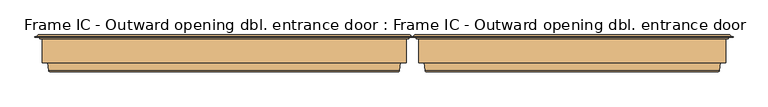
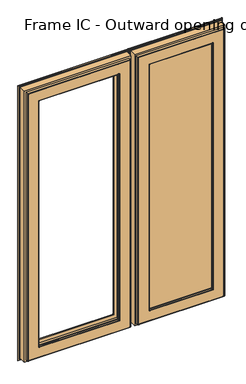
"""IFC4 building model written with IfcOpenShell, lengths in millimetres: door geometry, Frame IC - Outward opening dbl. entrance door : Frame IC - Outward opening dbl. entrance door."""

from ifc_helpers import new_model, si_unit, frame, origin, place, context, project, spatial, polyline, ellipse_curve, outline, extrude, source, transform, mapped, element, save
from ifc_brep_helpers import plane_surface, cylinder_surface, revolved_surface, advanced_brep


def frame_ic_outward_opening_dbl_entrance_door_frame_ic_outward_56521af2(model_context):
    return source(origin(), model_context, "Body", "SolidModel", [
        advanced_brep(
        [(3.6650635, 192.25, 135.6650635), (464.3349365, 192.25, 135.6650635), (468.6650635, 192.25, 131.3349365), (-0.6650635, 192.25, 131.3349365), (-84.5, 188.6168436, 2052.5), (-84.5, 188.6168436, 47.5), (-84.5, 185.5999985, 47.5), (-84.5, 185.5999985, 2052.5), (-86.4927627, 193.0, 2054.4927627), (-86.4927627, 193.0, 45.5072373), (-89.0144747, 190.478288, 42.9855253), (-89.0144747, 190.478288, 2057.0144747), (12.1750766, 191.5847434, 1955.8249234), (12.1750766, 191.5847434, 144.1750766), (10.2624671, 193.0, 142.2624671), (10.2624671, 193.0, 1957.7375329), (15.0073403, 182.3208261, 1952.9926597), (15.0073403, 182.3208261, 147.0073403), (15.0073403, 181.0, 1952.9926597), (15.0073403, 181.0, 147.0073403), (-3.3670018, 133.0, 1971.3670018), (-3.3670018, 133.0, 128.6329982), (-9.2606608, 181.0, 122.7393392), (-9.2606608, 181.0, 1977.2606608), (15.0, 130.0, 1953.0), (15.0, 130.0, 147.0), (15.0, 133.0, 147.0), (15.0, 133.0, 1953.0), (14.9781475, 128.7920883, 1953.0218525), (14.9781475, 128.7920883, 146.9781475), (13.9999999, 130.0, 145.9999999), (13.9999999, 130.0, 1954.0000001), (13.1893091, 120.376265, 1954.8106909), (13.1893091, 120.376265, 145.1893091), (10.2548663, 118.0, 1957.7451337), (10.2548663, 118.0, 142.2548663), (-65.5618051, 119.7562613, 2033.5618051), (-65.5618051, 119.7562613, 66.4381949), (-63.5767128, 118.0, 68.4232872), (-63.5767128, 118.0, 2031.5767128), (-67.5562854, 136.0, 2035.5562854), (-67.5562854, 136.0, 64.4437146), (-79.0, 185.5999985, 2047.0), (-79.0, 185.5999985, 53.0), (-79.0, 136.0, 53.0), (-79.0, 136.0, 2047.0), (552.5, 188.6168436, 47.5), (552.5, 185.5999985, 47.5), (554.4927627, 193.0, 45.5072373), (557.0144747, 190.478288, 42.9855253), (455.8249234, 191.5847434, 144.1750766), (457.7375329, 193.0, 142.2624671), (452.9926597, 182.3208261, 147.0073403), (452.9926597, 181.0, 147.0073403), (471.3670018, 133.0, 128.6329982), (477.2606608, 181.0, 122.7393392), (453.0, 130.0, 147.0), (453.0, 133.0, 147.0), (453.0218525, 128.7920883, 146.9781475), (454.0000001, 130.0, 145.9999999), (454.8106909, 120.376265, 145.1893091), (457.7451337, 118.0, 142.2548663), (533.5618051, 119.7562613, 66.4381949), (531.5767128, 118.0, 68.4232872), (535.5562854, 136.0, 64.4437146), (547.0, 185.5999985, 53.0), (547.0, 136.0, 53.0), (552.5, 188.6168436, 2052.5), (552.5, 185.5999985, 2052.5), (554.4927627, 193.0, 2054.4927627), (557.0144747, 190.478288, 2057.0144747), (455.8249234, 191.5847434, 1955.8249234), (457.7375329, 193.0, 1957.7375329), (452.9926597, 182.3208261, 1952.9926597), (452.9926597, 181.0, 1952.9926597), (471.3670018, 133.0, 1971.3670018), (477.2606608, 181.0, 1977.2606608), (453.0, 130.0, 1953.0), (453.0, 133.0, 1953.0), (453.0218525, 128.7920883, 1953.0218525), (454.0000001, 130.0, 1954.0000001), (454.8106909, 120.376265, 1954.8106909), (457.7451337, 118.0, 1957.7451337), (533.5618051, 119.7562613, 2033.5618051), (531.5767128, 118.0, 2031.5767128), (535.5562854, 136.0, 2035.5562854), (547.0, 185.5999985, 2047.0), (547.0, 136.0, 2047.0), (-94.1997151, 189.6865589, 37.8002849), (-94.1997151, 189.6865589, 2062.1997151), (562.1997151, 189.6865589, 2062.1997151), (562.1997151, 189.6865589, 37.8002849), (-89.0144747, 189.6865589, 2057.0144747), (-89.0144747, 189.6865589, 42.9855253), (557.0144747, 189.6865589, 42.9855253), (557.0144747, 189.6865589, 2057.0144747), (4.9641016, 193.0, 136.9641016), (4.9641016, 193.0, 1963.0358984), (463.0358984, 193.0, 1963.0358984), (463.0358984, 193.0, 136.9641016), (-94.1997151, 188.6168436, 37.8002849), (-94.1997151, 188.6168436, 2062.1997151), (562.1997151, 188.6168436, 37.8002849), (562.1997151, 188.6168436, 2062.1997151), (-0.6650635, 192.25, 1968.6650635), (-1.9641016, 193.0, 130.0358984), (-1.9641016, 193.0, 1969.9641016), (3.6650635, 192.25, 1964.3349365), (469.9641016, 193.0, 130.0358984), (468.6650635, 192.25, 1968.6650635), (469.9641016, 193.0, 1969.9641016), (464.3349365, 192.25, 1964.3349365)],
        [
            (0, 1),
            (1, 2, ellipse_curve(frame((466.5, 193.5, 133.5), z_axis=(0.7071067811865475, 0.0, 0.7071067811865475), x_axis=(0.7071067811865476, 0.0, -0.7071067811865474)), 3.5355339, 2.5)),
            (2, 3),
            (3, 0, ellipse_curve(frame((1.5, 193.5, 133.5), z_axis=(-0.7071067811865475, 0.0, 0.7071067811865475), x_axis=(0.7071067811865476, 0.0, 0.7071067811865474)), 3.5355339, 2.5)),
            (4, 5),
            (5, 6),
            (6, 7),
            (7, 4),
            (8, 9),
            (9, 10, ellipse_curve(frame((-86.4927627, 190.478288, 45.5072373), z_axis=(-0.7071067811865475, 0.0, 0.7071067811865475), x_axis=(0.7071067811865474, 0.0, 0.7071067811865476)), 3.5662393, 2.521712)),
            (10, 11),
            (11, 8, ellipse_curve(frame((-86.4927627, 190.478288, 2054.4927627), z_axis=(-0.7071067811865475, 0.0, -0.7071067811865475), x_axis=(-0.7071067811865474, 0.0, 0.7071067811865476)), 3.5662393, 2.521712)),
            (12, 13),
            (13, 14, ellipse_curve(frame((10.2624671, 191.0, 142.2624671), z_axis=(-0.7071067811865475, 0.0, 0.7071067811865475), x_axis=(0.7071067811865474, 0.0, 0.7071067811865476)), 2.8284271, 2.0)),
            (14, 15),
            (15, 12, ellipse_curve(frame((10.2624671, 191.0, 1957.7375329), z_axis=(-0.7071067811865475, 0.0, -0.7071067811865475), x_axis=(-0.7071067811865474, 0.0, 0.7071067811865476)), 2.8284271, 2.0)),
            (16, 17),
            (17, 13),
            (12, 16),
            (18, 19),
            (19, 17),
            (16, 18),
            (20, 21),
            (21, 22),
            (22, 23),
            (23, 20),
            (24, 25),
            (25, 26),
            (26, 27),
            (27, 24),
            (28, 29),
            (29, 30, ellipse_curve(frame((13.9999999, 129.0, 145.9999999), z_axis=(-0.7071067811865475, 0.0, 0.7071067811865475), x_axis=(0.7071067811865474, 0.0, 0.7071067811865476)), 1.4142136, 1.0)),
            (30, 31),
            (31, 28, ellipse_curve(frame((13.9999999, 129.0, 1954.0000001), z_axis=(-0.7071067811865475, 0.0, -0.7071067811865475), x_axis=(-0.7071067811865474, 0.0, 0.7071067811865476)), 1.4142136, 1.0)),
            (32, 33),
            (33, 29),
            (28, 32),
            (34, 35),
            (35, 33, ellipse_curve(frame((10.2548663, 121.0, 142.2548663), z_axis=(-0.7071067811865475, 0.0, 0.7071067811865475), x_axis=(0.7071067811865474, 0.0, 0.7071067811865476)), 4.2426407, 3.0)),
            (32, 34, ellipse_curve(frame((10.2548663, 121.0, 1957.7451337), z_axis=(-0.7071067811865475, 0.0, -0.7071067811865475), x_axis=(-0.7071067811865474, 0.0, 0.7071067811865476)), 4.2426407, 3.0)),
            (36, 37),
            (37, 38, ellipse_curve(frame((-63.5767128, 120.0, 68.4232872), z_axis=(-0.7071067811865475, 0.0, 0.7071067811865475), x_axis=(0.7071067811865474, 0.0, 0.7071067811865476)), 2.8284271, 2.0)),
            (38, 39),
            (39, 36, ellipse_curve(frame((-63.5767128, 120.0, 2031.5767128), z_axis=(-0.7071067811865475, 0.0, -0.7071067811865475), x_axis=(-0.7071067811865474, 0.0, 0.7071067811865476)), 2.8284271, 2.0)),
            (40, 41),
            (41, 37),
            (36, 40),
            (42, 43),
            (43, 44),
            (44, 45),
            (45, 42),
            (5, 46),
            (46, 47),
            (47, 6),
            (9, 48),
            (48, 49, ellipse_curve(frame((554.4927627, 190.478288, 45.5072373), z_axis=(-0.7071067811865475, 0.0, -0.7071067811865475), x_axis=(-0.7071067811865476, 0.0, 0.7071067811865474)), 3.5662393, 2.521712)),
            (49, 10),
            (13, 50),
            (50, 51, ellipse_curve(frame((457.7375329, 191.0, 142.2624671), z_axis=(-0.7071067811865475, 0.0, -0.7071067811865475), x_axis=(-0.7071067811865476, 0.0, 0.7071067811865474)), 2.8284271, 2.0)),
            (51, 14),
            (17, 52),
            (52, 50),
            (19, 53),
            (53, 52),
            (21, 54),
            (54, 55),
            (55, 22),
            (25, 56),
            (56, 57),
            (57, 26),
            (29, 58),
            (58, 59, ellipse_curve(frame((454.0000001, 129.0, 145.9999999), z_axis=(-0.7071067811865475, 0.0, -0.7071067811865475), x_axis=(-0.7071067811865476, 0.0, 0.7071067811865474)), 1.4142136, 1.0)),
            (59, 30),
            (33, 60),
            (60, 58),
            (35, 61),
            (61, 60, ellipse_curve(frame((457.7451337, 121.0, 142.2548663), z_axis=(-0.7071067811865475, 0.0, -0.7071067811865475), x_axis=(-0.7071067811865476, 0.0, 0.7071067811865474)), 4.2426407, 3.0)),
            (37, 62),
            (62, 63, ellipse_curve(frame((531.5767128, 120.0, 68.4232872), z_axis=(-0.7071067811865475, 0.0, -0.7071067811865475), x_axis=(-0.7071067811865476, 0.0, 0.7071067811865474)), 2.8284271, 2.0)),
            (63, 38),
            (41, 64),
            (64, 62),
            (43, 65),
            (65, 66),
            (66, 44),
            (46, 67),
            (67, 68),
            (68, 47),
            (48, 69),
            (69, 70, ellipse_curve(frame((554.4927627, 190.478288, 2054.4927627), z_axis=(0.7071067811865475, 0.0, -0.7071067811865475), x_axis=(-0.7071067811865474, 0.0, -0.7071067811865476)), 3.5662393, 2.521712)),
            (70, 49),
            (50, 71),
            (71, 72, ellipse_curve(frame((457.7375329, 191.0, 1957.7375329), z_axis=(0.7071067811865475, 0.0, -0.7071067811865475), x_axis=(-0.7071067811865474, 0.0, -0.7071067811865476)), 2.8284271, 2.0)),
            (72, 51),
            (52, 73),
            (73, 71),
            (53, 74),
            (74, 73),
            (54, 75),
            (75, 76),
            (76, 55),
            (56, 77),
            (77, 78),
            (78, 57),
            (58, 79),
            (79, 80, ellipse_curve(frame((454.0000001, 129.0, 1954.0000001), z_axis=(0.7071067811865475, 0.0, -0.7071067811865475), x_axis=(-0.7071067811865474, 0.0, -0.7071067811865476)), 1.4142136, 1.0)),
            (80, 59),
            (60, 81),
            (81, 79),
            (61, 82),
            (82, 81, ellipse_curve(frame((457.7451337, 121.0, 1957.7451337), z_axis=(0.7071067811865475, 0.0, -0.7071067811865475), x_axis=(-0.7071067811865474, 0.0, -0.7071067811865476)), 4.2426407, 3.0)),
            (62, 83),
            (83, 84, ellipse_curve(frame((531.5767128, 120.0, 2031.5767128), z_axis=(0.7071067811865475, 0.0, -0.7071067811865475), x_axis=(-0.7071067811865474, 0.0, -0.7071067811865476)), 2.8284271, 2.0)),
            (84, 63),
            (64, 85),
            (85, 83),
            (65, 86),
            (86, 87),
            (87, 66),
            (68, 7),
            (42, 86),
            (67, 4),
            (88, 89),
            (89, 90),
            (90, 91),
            (91, 88),
            (92, 93),
            (93, 94),
            (94, 95),
            (95, 92),
            (69, 8),
            (11, 70),
            (96, 97),
            (97, 98),
            (98, 99),
            (99, 96),
            (72, 15),
            (71, 12),
            (73, 16),
            (74, 18),
            (76, 23),
            (75, 20),
            (78, 27),
            (77, 24),
            (80, 31),
            (79, 28),
            (81, 32),
            (82, 34),
            (84, 39),
            (83, 36),
            (85, 40),
            (87, 45),
            (88, 100),
            (100, 101),
            (101, 89),
            (10, 93),
            (92, 11),
            (91, 102),
            (102, 100),
            (49, 94),
            (90, 103),
            (103, 102),
            (70, 95),
            (103, 101),
            (104, 3),
            (3, 105, ellipse_curve(frame((-1.9641016, 191.5, 130.0358984), z_axis=(-0.7071067811865475, 0.0, 0.7071067811865475), x_axis=(0.7071067811865474, 0.0, 0.7071067811865476)), 2.1213203, 1.5)),
            (105, 106),
            (106, 104, ellipse_curve(frame((-1.9641016, 191.5, 1969.9641016), z_axis=(-0.7071067811865475, 0.0, -0.7071067811865475), x_axis=(-0.7071067811865474, 0.0, 0.7071067811865476)), 2.1213203, 1.5)),
            (107, 0),
            (104, 107, ellipse_curve(frame((1.5, 193.5, 1966.5), z_axis=(0.7071067811865475, 0.0, 0.7071067811865475), x_axis=(0.7071067811865474, 0.0, -0.7071067811865476)), 3.5355339, 2.5)),
            (96, 0, ellipse_curve(frame((4.9641016, 191.5, 136.9641016), z_axis=(-0.7071067811865475, 0.0, 0.7071067811865475), x_axis=(0.7071067811865474, 0.0, 0.7071067811865476)), 2.1213203, 1.5)),
            (107, 97, ellipse_curve(frame((4.9641016, 191.5, 1963.0358984), z_axis=(-0.7071067811865475, 0.0, -0.7071067811865475), x_axis=(-0.7071067811865474, 0.0, 0.7071067811865476)), 2.1213203, 1.5)),
            (2, 108, ellipse_curve(frame((469.9641016, 191.5, 130.0358984), z_axis=(-0.7071067811865475, 0.0, -0.7071067811865475), x_axis=(-0.7071067811865476, 0.0, 0.7071067811865474)), 2.1213203, 1.5)),
            (108, 105),
            (99, 1, ellipse_curve(frame((463.0358984, 191.5, 136.9641016), z_axis=(-0.7071067811865475, 0.0, -0.7071067811865475), x_axis=(-0.7071067811865476, 0.0, 0.7071067811865474)), 2.1213203, 1.5)),
            (2, 109),
            (109, 110, ellipse_curve(frame((469.9641016, 191.5, 1969.9641016), z_axis=(0.7071067811865475, 0.0, -0.7071067811865475), x_axis=(-0.7071067811865474, 0.0, -0.7071067811865476)), 2.1213203, 1.5)),
            (110, 108),
            (1, 111),
            (111, 109, ellipse_curve(frame((466.5, 193.5, 1966.5), z_axis=(-0.7071067811865475, 0.0, 0.7071067811865475), x_axis=(0.7071067811865474, 0.0, 0.7071067811865476)), 3.5355339, 2.5)),
            (98, 111, ellipse_curve(frame((463.0358984, 191.5, 1963.0358984), z_axis=(0.7071067811865475, 0.0, -0.7071067811865475), x_axis=(-0.7071067811865474, 0.0, -0.7071067811865476)), 2.1213203, 1.5)),
            (110, 106),
            (109, 104),
            (111, 107),
        ],
        [
            revolved_surface(polyline([(468.99999999580496, 191.0, 133.5), (-0.9999999958049273, 191.0, 133.5)]), (-79.0, 193.5, 133.5), (1.0, 0.0, 0.0)),
            plane_surface(frame((-84.5, 185.5999985, 2052.5), z_axis=(-1.0, 0.0, 0.0), x_axis=(0.0, 0.0, -1.0))),
            cylinder_surface(frame((-86.4927627, 190.478288, 2047.0), z_axis=(0.0, 0.0, 1.0), x_axis=(0.0, -1.0, 0.0)), 2.521712),
            cylinder_surface(frame((10.2624671, 191.0, 2047.0), z_axis=(0.0, 0.0, 1.0), x_axis=(0.0, -1.0, 0.0)), 2.0),
            plane_surface(frame((12.1750766, 191.5847434, 1955.8249234), z_axis=(0.9563047559629807, 0.2923717047229163, 0.0), x_axis=(0.0, 0.0, -1.0))),
            plane_surface(frame((15.0073403, 182.3208261, 1952.9926597), z_axis=(1.0, 0.0, 0.0), x_axis=(0.0, 0.0, -1.0))),
            plane_surface(frame((-9.2606608, 181.0, 1977.2606608), z_axis=(0.9925461516413233, 0.12186934340513725, 0.0), x_axis=(0.0, 0.0, -1.0))),
            plane_surface(frame((15.0, 133.0, 1953.0), z_axis=(1.0, 0.0, 0.0), x_axis=(0.0, 0.0, -1.0))),
            cylinder_surface(frame((13.9999999, 129.0, 2047.0), z_axis=(0.0, 0.0, 1.0), x_axis=(0.0, -1.0, 0.0)), 1.0),
            plane_surface(frame((14.9781475, 128.7920883, 1953.0218525), z_axis=(0.9781476042228723, -0.20791167440299077, 0.0), x_axis=(0.0, 0.0, -1.0))),
            cylinder_surface(frame((10.2548663, 121.0, 2047.0), z_axis=(0.0, 0.0, 1.0), x_axis=(0.0, -1.0, 0.0)), 3.0),
            cylinder_surface(frame((-63.5767128, 120.0, 2047.0), z_axis=(0.0, 0.0, 1.0), x_axis=(0.0, -1.0, 0.0)), 2.0),
            plane_surface(frame((-65.5618051, 119.7562613, 2033.5618051), z_axis=(-0.9925461516416141, -0.12186934340276924, 0.0), x_axis=(0.0, 0.0, -1.0))),
            plane_surface(frame((-79.0, 136.0, 2047.0), z_axis=(-1.0, 0.0, 0.0), x_axis=(0.0, 0.0, -1.0))),
            plane_surface(frame((-84.5, 185.5999985, 47.5), z_axis=(0.0, 0.0, -1.0), x_axis=(1.0, 0.0, 0.0))),
            cylinder_surface(frame((-79.0, 190.478288, 45.5072373), z_axis=(-1.0, 0.0, 0.0), x_axis=(0.0, -1.0, 0.0)), 2.521712),
            cylinder_surface(frame((-79.0, 191.0, 142.2624671), z_axis=(-1.0, 0.0, 0.0), x_axis=(0.0, -1.0, 0.0)), 2.0),
            plane_surface(frame((12.1750766, 191.5847434, 144.1750766), z_axis=(0.0, 0.2923717047229163, 0.9563047559629807), x_axis=(1.0, 0.0, 0.0))),
            plane_surface(frame((15.0073403, 182.3208261, 147.0073403), z_axis=(0.0, 0.0, 1.0), x_axis=(1.0, 0.0, 0.0))),
            plane_surface(frame((-9.2606608, 181.0, 122.7393392), z_axis=(0.0, 0.12186934340513725, 0.9925461516413233), x_axis=(1.0, 0.0, 0.0))),
            plane_surface(frame((15.0, 133.0, 147.0), z_axis=(0.0, 0.0, 1.0), x_axis=(1.0, 0.0, 0.0))),
            cylinder_surface(frame((-79.0, 129.0, 145.9999999), z_axis=(-1.0, 0.0, 0.0), x_axis=(0.0, -1.0, 0.0)), 1.0),
            plane_surface(frame((14.9781475, 128.7920883, 146.9781475), z_axis=(0.0, -0.20791167440299077, 0.9781476042228723), x_axis=(1.0, 0.0, 0.0))),
            cylinder_surface(frame((-79.0, 121.0, 142.2548663), z_axis=(-1.0, 0.0, 0.0), x_axis=(0.0, -1.0, 0.0)), 3.0),
            cylinder_surface(frame((-79.0, 120.0, 68.4232872), z_axis=(-1.0, 0.0, 0.0), x_axis=(0.0, -1.0, 0.0)), 2.0),
            plane_surface(frame((-65.5618051, 119.7562613, 66.4381949), z_axis=(0.0, -0.12186934340276924, -0.9925461516416141), x_axis=(1.0, 0.0, 0.0))),
            plane_surface(frame((-79.0, 136.0, 53.0), z_axis=(0.0, 0.0, -1.0), x_axis=(1.0, 0.0, 0.0))),
            plane_surface(frame((552.5, 185.5999985, 47.5), z_axis=(1.0, 0.0, 0.0), x_axis=(0.0, 0.0, 1.0))),
            cylinder_surface(frame((554.4927627, 190.478288, 53.0), z_axis=(0.0, 0.0, -1.0), x_axis=(0.0, -1.0, 0.0)), 2.521712),
            cylinder_surface(frame((457.7375329, 191.0, 53.0), z_axis=(0.0, 0.0, -1.0), x_axis=(0.0, -1.0, 0.0)), 2.0),
            plane_surface(frame((455.8249234, 191.5847434, 144.1750766), z_axis=(-0.9563047559629807, 0.2923717047229163, 0.0), x_axis=(0.0, 0.0, 1.0))),
            plane_surface(frame((452.9926597, 182.3208261, 147.0073403), z_axis=(-1.0, 0.0, 0.0), x_axis=(0.0, 0.0, 1.0))),
            plane_surface(frame((477.2606608, 181.0, 122.7393392), z_axis=(-0.9925461516413233, 0.12186934340513725, 0.0), x_axis=(0.0, 0.0, 1.0))),
            plane_surface(frame((453.0, 133.0, 147.0), z_axis=(-1.0, 0.0, 0.0), x_axis=(0.0, 0.0, 1.0))),
            cylinder_surface(frame((454.0000001, 129.0, 53.0), z_axis=(0.0, 0.0, -1.0), x_axis=(0.0, -1.0, 0.0)), 1.0),
            plane_surface(frame((453.0218525, 128.7920883, 146.9781475), z_axis=(-0.9781476042228723, -0.20791167440299077, 0.0), x_axis=(0.0, 0.0, 1.0))),
            cylinder_surface(frame((457.7451337, 121.0, 53.0), z_axis=(0.0, 0.0, -1.0), x_axis=(0.0, -1.0, 0.0)), 3.0),
            cylinder_surface(frame((531.5767128, 120.0, 53.0), z_axis=(0.0, 0.0, -1.0), x_axis=(0.0, -1.0, 0.0)), 2.0),
            plane_surface(frame((533.5618051, 119.7562613, 66.4381949), z_axis=(0.9925461516416141, -0.12186934340276924, 0.0), x_axis=(0.0, 0.0, 1.0))),
            plane_surface(frame((547.0, 136.0, 53.0), z_axis=(1.0, 0.0, 0.0), x_axis=(0.0, 0.0, 1.0))),
            plane_surface(frame((547.0, 185.5999985, 2047.0), z_axis=(0.0, -1.0, 0.0), x_axis=(-1.0, 0.0, 0.0))),
            plane_surface(frame((552.5, 185.5999985, 2052.5), z_axis=(0.0, 0.0, 1.0), x_axis=(-1.0, 0.0, 0.0))),
            plane_surface(frame((562.1997151, 189.6865589, 2062.1997151), z_axis=(0.0, 1.0, 0.0), x_axis=(-1.0, 0.0, 0.0))),
            cylinder_surface(frame((547.0, 190.478288, 2054.4927627), z_axis=(1.0, 0.0, 0.0), x_axis=(0.0, -1.0, 0.0)), 2.521712),
            plane_surface(frame((463.0358984, 193.0, 1963.0358984), z_axis=(0.0, 1.0, 0.0), x_axis=(-1.0, 0.0, 0.0))),
            cylinder_surface(frame((547.0, 191.0, 1957.7375329), z_axis=(1.0, 0.0, 0.0), x_axis=(0.0, -1.0, 0.0)), 2.0),
            plane_surface(frame((455.8249234, 191.5847434, 1955.8249234), z_axis=(0.0, 0.2923717047229163, -0.9563047559629807), x_axis=(-1.0, 0.0, 0.0))),
            plane_surface(frame((452.9926597, 182.3208261, 1952.9926597), z_axis=(0.0, 0.0, -1.0), x_axis=(-1.0, 0.0, 0.0))),
            plane_surface(frame((452.9926597, 181.0, 1952.9926597), z_axis=(0.0, -1.0, 0.0), x_axis=(-1.0, 0.0, 0.0))),
            plane_surface(frame((477.2606608, 181.0, 1977.2606608), z_axis=(0.0, 0.12186934340513725, -0.9925461516413233), x_axis=(-1.0, 0.0, 0.0))),
            plane_surface(frame((471.3670018, 133.0, 1971.3670018), z_axis=(0.0, 1.0, 0.0), x_axis=(-1.0, 0.0, 0.0))),
            plane_surface(frame((453.0, 133.0, 1953.0), z_axis=(0.0, 0.0, -1.0), x_axis=(-1.0, 0.0, 0.0))),
            plane_surface(frame((453.0, 130.0, 1953.0), z_axis=(0.0, -1.0, 0.0), x_axis=(-1.0, 0.0, 0.0))),
            cylinder_surface(frame((547.0, 129.0, 1954.0000001), z_axis=(1.0, 0.0, 0.0), x_axis=(0.0, -1.0, 0.0)), 1.0),
            plane_surface(frame((453.0218525, 128.7920883, 1953.0218525), z_axis=(0.0, -0.20791167440299077, -0.9781476042228723), x_axis=(-1.0, 0.0, 0.0))),
            cylinder_surface(frame((547.0, 121.0, 1957.7451337), z_axis=(1.0, 0.0, 0.0), x_axis=(0.0, -1.0, 0.0)), 3.0),
            plane_surface(frame((457.7451337, 118.0, 1957.7451337), z_axis=(0.0, -1.0, 0.0), x_axis=(-1.0, 0.0, 0.0))),
            cylinder_surface(frame((547.0, 120.0, 2031.5767128), z_axis=(1.0, 0.0, 0.0), x_axis=(0.0, -1.0, 0.0)), 2.0),
            plane_surface(frame((533.5618051, 119.7562613, 2033.5618051), z_axis=(0.0, -0.12186934340276924, 0.9925461516416141), x_axis=(-1.0, 0.0, 0.0))),
            plane_surface(frame((535.5562854, 136.0, 2035.5562854), z_axis=(0.0, -1.0, 0.0), x_axis=(-1.0, 0.0, 0.0))),
            plane_surface(frame((547.0, 136.0, 2047.0), z_axis=(0.0, 0.0, 1.0), x_axis=(-1.0, 0.0, 0.0))),
            plane_surface(frame((-94.1997151, 188.6168436, 2062.1997151), z_axis=(-1.0, 0.0, 0.0), x_axis=(0.0, 0.0, -1.0))),
            plane_surface(frame((-89.0144747, 189.6865589, 2057.0144747), z_axis=(-1.0, 0.0, 0.0), x_axis=(0.0, 0.0, -1.0))),
            plane_surface(frame((-94.1997151, 188.6168436, 37.8002849), z_axis=(0.0, 0.0, -1.0), x_axis=(1.0, 0.0, 0.0))),
            plane_surface(frame((-89.0144747, 189.6865589, 42.9855253), z_axis=(0.0, 0.0, -1.0), x_axis=(1.0, 0.0, 0.0))),
            plane_surface(frame((562.1997151, 188.6168436, 37.8002849), z_axis=(1.0, 0.0, 0.0), x_axis=(0.0, 0.0, 1.0))),
            plane_surface(frame((557.0144747, 189.6865589, 42.9855253), z_axis=(1.0, 0.0, 0.0), x_axis=(0.0, 0.0, 1.0))),
            plane_surface(frame((552.5, 188.6168436, 2052.5), z_axis=(0.0, -1.0, 0.0), x_axis=(-1.0, 0.0, 0.0))),
            plane_surface(frame((562.1997151, 188.6168436, 2062.1997151), z_axis=(0.0, 0.0, 1.0), x_axis=(-1.0, 0.0, 0.0))),
            plane_surface(frame((557.0144747, 189.6865589, 2057.0144747), z_axis=(0.0, 0.0, 1.0), x_axis=(-1.0, 0.0, 0.0))),
            cylinder_surface(frame((-1.9641016, 191.5, 2047.0), z_axis=(0.0, 0.0, 1.0), x_axis=(0.0, -1.0, 0.0)), 1.5),
            revolved_surface(polyline([(1.5, 191.0, 131.00000000419504), (1.5, 191.0, 1968.999999995805)]), (1.5, 193.5, 2047.0), (0.0, 0.0, -1.0)),
            cylinder_surface(frame((4.9641016, 191.5, 2047.0), z_axis=(0.0, 0.0, 1.0), x_axis=(0.0, -1.0, 0.0)), 1.5),
            cylinder_surface(frame((-79.0, 191.5, 130.0358984), z_axis=(-1.0, 0.0, 0.0), x_axis=(0.0, -1.0, 0.0)), 1.5),
            cylinder_surface(frame((-79.0, 191.5, 136.9641016), z_axis=(-1.0, 0.0, 0.0), x_axis=(0.0, -1.0, 0.0)), 1.5),
            cylinder_surface(frame((469.9641016, 191.5, 53.0), z_axis=(0.0, 0.0, -1.0), x_axis=(0.0, -1.0, 0.0)), 1.5),
            revolved_surface(polyline([(466.5, 191.0, 1968.999999995805), (466.5, 191.0, 131.00000000419507)]), (466.5, 193.5, 53.0), (0.0, 0.0, 1.0)),
            cylinder_surface(frame((463.0358984, 191.5, 53.0), z_axis=(0.0, 0.0, -1.0), x_axis=(0.0, -1.0, 0.0)), 1.5),
            plane_surface(frame((554.4927627, 193.0, 2054.4927627), z_axis=(0.0, 1.0, 0.0), x_axis=(-1.0, 0.0, 0.0))),
            cylinder_surface(frame((547.0, 191.5, 1969.9641016), z_axis=(1.0, 0.0, 0.0), x_axis=(0.0, -1.0, 0.0)), 1.5),
            revolved_surface(polyline([(-0.9999999958049557, 191.0, 1966.5), (468.99999999580496, 191.0, 1966.5)]), (547.0, 193.5, 1966.5), (-1.0, 0.0, 0.0)),
            cylinder_surface(frame((547.0, 191.5, 1963.0358984), z_axis=(1.0, 0.0, 0.0), x_axis=(0.0, -1.0, 0.0)), 1.5),
        ],
        [
            (0, [[1, 2, 3, 4]]),
            (1, [[5, 6, 7, 8]]),
            (2, [[9, 10, 11, 12]]),
            (3, [[13, 14, 15, 16]]),
            (4, [[17, 18, -13, 19]]),
            (5, [[20, 21, -17, 22]]),
            (6, [[23, 24, 25, 26]]),
            (7, [[27, 28, 29, 30]]),
            (8, [[31, 32, 33, 34]]),
            (9, [[35, 36, -31, 37]]),
            (10, [[38, 39, -35, 40]]),
            (11, [[41, 42, 43, 44]]),
            (12, [[45, 46, -41, 47]]),
            (13, [[48, 49, 50, 51]]),
            (14, [[52, 53, 54, -6]]),
            (15, [[55, 56, 57, -10]]),
            (16, [[58, 59, 60, -14]]),
            (17, [[61, 62, -58, -18]]),
            (18, [[63, 64, -61, -21]]),
            (19, [[65, 66, 67, -24]]),
            (20, [[68, 69, 70, -28]]),
            (21, [[71, 72, 73, -32]]),
            (22, [[74, 75, -71, -36]]),
            (23, [[76, 77, -74, -39]]),
            (24, [[78, 79, 80, -42]]),
            (25, [[81, 82, -78, -46]]),
            (26, [[83, 84, 85, -49]]),
            (27, [[86, 87, 88, -53]]),
            (28, [[89, 90, 91, -56]]),
            (29, [[92, 93, 94, -59]]),
            (30, [[95, 96, -92, -62]]),
            (31, [[97, 98, -95, -64]]),
            (32, [[99, 100, 101, -66]]),
            (33, [[102, 103, 104, -69]]),
            (34, [[105, 106, 107, -72]]),
            (35, [[108, 109, -105, -75]]),
            (36, [[110, 111, -108, -77]]),
            (37, [[112, 113, 114, -79]]),
            (38, [[115, 116, -112, -82]]),
            (39, [[117, 118, 119, -84]]),
            (40, [[-7, -54, -88, 120], [-48, 121, -117, -83]]),
            (41, [[122, -8, -120, -87]]),
            (42, [[123, 124, 125, 126], [127, 128, 129, 130]]),
            (43, [[131, -12, 132, -90]]),
            (44, [[133, 134, 135, 136], [-15, -60, -94, 137]]),
            (45, [[138, -16, -137, -93]]),
            (46, [[139, -19, -138, -96]]),
            (47, [[140, -22, -139, -98]]),
            (48, [[-25, -67, -101, 141], [-20, -140, -97, -63]]),
            (49, [[142, -26, -141, -100]]),
            (50, [[-23, -142, -99, -65], [-29, -70, -104, 143]]),
            (51, [[144, -30, -143, -103]]),
            (52, [[-33, -73, -107, 145], [-27, -144, -102, -68]]),
            (53, [[146, -34, -145, -106]]),
            (54, [[147, -37, -146, -109]]),
            (55, [[148, -40, -147, -111]]),
            (56, [[-43, -80, -114, 149], [-38, -148, -110, -76]]),
            (57, [[150, -44, -149, -113]]),
            (58, [[151, -47, -150, -116]]),
            (59, [[-50, -85, -119, 152], [-45, -151, -115, -81]]),
            (60, [[-121, -51, -152, -118]]),
            (61, [[-123, 153, 154, 155]]),
            (62, [[-11, 156, -127, 157]]),
            (63, [[-126, 158, 159, -153]]),
            (64, [[-57, 160, -128, -156]]),
            (65, [[-125, 161, 162, -158]]),
            (66, [[-91, 163, -129, -160]]),
            (67, [[-154, -159, -162, 164], [-5, -122, -86, -52]]),
            (68, [[-124, -155, -164, -161]]),
            (69, [[-132, -157, -130, -163]]),
            (70, [[165, 166, 167, 168]]),
            (71, [[169, -4, -165, 170]]),
            (72, [[-133, 171, -169, 172]]),
            (73, [[-3, 173, 174, -166]]),
            (74, [[-136, 175, -1, -171]]),
            (75, [[176, 177, 178, -173]]),
            (76, [[179, 180, -176, -2]]),
            (77, [[-135, 181, -179, -175]]),
            (78, [[-9, -131, -89, -55], [-167, -174, -178, 182]]),
            (79, [[183, -168, -182, -177]]),
            (80, [[184, -170, -183, -180]]),
            (81, [[-134, -172, -184, -181]]),
        ],
    ),
        extrude(outline(polyline([(5.8540715, 133.0110098), (5.8540715, 181.0110098), (462.1459285, 181.0110098), (462.1459285, 133.0110098), (5.8540715, 133.0110098)])), frame((0.0, 0.0, 137.8540715), z_axis=(0.0, 0.0, 1.0), x_axis=(1.0, 0.0, 0.0)), (0.0, 0.0, 1.0), 1824.291857),
        advanced_brep(
        [(-187.6650635, 192.25, 135.6650635), (-183.3349365, 192.25, 131.3349365), (-768.6650635, 192.25, 131.3349365), (-764.3349365, 192.25, 135.6650635), (-99.5, 188.6168436, 2052.5), (-99.5, 185.5999985, 2052.5), (-99.5, 185.5999985, 47.5), (-99.5, 188.6168436, 47.5), (-97.5072373, 193.0, 2054.4927627), (-94.9855253, 190.478288, 2057.0144747), (-94.9855253, 190.478288, 42.9855253), (-97.5072373, 193.0, 45.5072373), (-196.1750766, 191.5847434, 1955.8249234), (-194.2624671, 193.0, 1957.7375329), (-194.2624671, 193.0, 142.2624671), (-196.1750766, 191.5847434, 144.1750766), (-199.0073403, 182.3208261, 1952.9926597), (-199.0073403, 182.3208261, 147.0073403), (-199.0073403, 181.0, 1952.9926597), (-199.0073403, 181.0, 147.0073403), (-180.6329982, 133.0, 1971.3670018), (-174.7393392, 181.0, 1977.2606608), (-174.7393392, 181.0, 122.7393392), (-180.6329982, 133.0, 128.6329982), (-199.0, 130.0, 1953.0), (-199.0, 133.0, 1953.0), (-199.0, 133.0, 147.0), (-199.0, 130.0, 147.0), (-198.9781475, 128.7920883, 1953.0218525), (-197.9999999, 130.0, 1954.0000001), (-197.9999999, 130.0, 145.9999999), (-198.9781475, 128.7920883, 146.9781475), (-197.1893091, 120.376265, 1954.8106909), (-197.1893091, 120.376265, 145.1893091), (-194.2548663, 118.0, 1957.7451337), (-194.2548663, 118.0, 142.2548663), (-118.4381949, 119.7562613, 2033.5618051), (-120.4232872, 118.0, 2031.5767128), (-120.4232872, 118.0, 68.4232872), (-118.4381949, 119.7562613, 66.4381949), (-116.4437146, 136.0, 2035.5562854), (-116.4437146, 136.0, 64.4437146), (-105.0, 185.5999985, 2047.0), (-105.0, 136.0, 2047.0), (-105.0, 136.0, 53.0), (-105.0, 185.5999985, 53.0), (-852.5, 185.5999985, 47.5), (-852.5, 188.6168436, 47.5), (-857.0144747, 190.478288, 42.9855253), (-854.4927627, 193.0, 45.5072373), (-757.7375329, 193.0, 142.2624671), (-755.8249234, 191.5847434, 144.1750766), (-752.9926597, 182.3208261, 147.0073403), (-752.9926597, 181.0, 147.0073403), (-777.2606608, 181.0, 122.7393392), (-771.3670018, 133.0, 128.6329982), (-753.0, 133.0, 147.0), (-753.0, 130.0, 147.0), (-754.0000001, 130.0, 145.9999999), (-753.0218525, 128.7920883, 146.9781475), (-754.8106909, 120.376265, 145.1893091), (-757.7451337, 118.0, 142.2548663), (-831.5767128, 118.0, 68.4232872), (-833.5618051, 119.7562613, 66.4381949), (-835.5562854, 136.0, 64.4437146), (-847.0, 136.0, 53.0), (-847.0, 185.5999985, 53.0), (-852.5, 185.5999985, 2052.5), (-852.5, 188.6168436, 2052.5), (-857.0144747, 190.478288, 2057.0144747), (-854.4927627, 193.0, 2054.4927627), (-757.7375329, 193.0, 1957.7375329), (-755.8249234, 191.5847434, 1955.8249234), (-752.9926597, 182.3208261, 1952.9926597), (-752.9926597, 181.0, 1952.9926597), (-777.2606608, 181.0, 1977.2606608), (-771.3670018, 133.0, 1971.3670018), (-753.0, 133.0, 1953.0), (-753.0, 130.0, 1953.0), (-754.0000001, 130.0, 1954.0000001), (-753.0218525, 128.7920883, 1953.0218525), (-754.8106909, 120.376265, 1954.8106909), (-757.7451337, 118.0, 1957.7451337), (-831.5767128, 118.0, 2031.5767128), (-833.5618051, 119.7562613, 2033.5618051), (-835.5562854, 136.0, 2035.5562854), (-847.0, 136.0, 2047.0), (-847.0, 185.5999985, 2047.0), (-89.8002849, 189.6865589, 37.8002849), (-862.1997151, 189.6865589, 37.8002849), (-862.1997151, 189.6865589, 2062.1997151), (-89.8002849, 189.6865589, 2062.1997151), (-94.9855253, 189.6865589, 2057.0144747), (-857.0144747, 189.6865589, 2057.0144747), (-857.0144747, 189.6865589, 42.9855253), (-94.9855253, 189.6865589, 42.9855253), (-188.9641016, 193.0, 136.9641016), (-763.0358984, 193.0, 136.9641016), (-763.0358984, 193.0, 1963.0358984), (-188.9641016, 193.0, 1963.0358984), (-89.8002849, 188.6168436, 2062.1997151), (-89.8002849, 188.6168436, 37.8002849), (-862.1997151, 188.6168436, 37.8002849), (-862.1997151, 188.6168436, 2062.1997151), (-183.3349365, 192.25, 1968.6650635), (-182.0358984, 193.0, 1969.9641016), (-182.0358984, 193.0, 130.0358984), (-187.6650635, 192.25, 1964.3349365), (-769.9641016, 193.0, 130.0358984), (-769.9641016, 193.0, 1969.9641016), (-768.6650635, 192.25, 1968.6650635), (-764.3349365, 192.25, 1964.3349365)],
        [
            (0, 1, ellipse_curve(frame((-185.5, 193.5, 133.5), z_axis=(0.7071067811865475, 0.0, 0.7071067811865475), x_axis=(-0.7071067811865476, 0.0, 0.7071067811865474)), 3.5355339, 2.5)),
            (1, 2),
            (2, 3, ellipse_curve(frame((-766.5, 193.5, 133.5), z_axis=(-0.7071067811865475, 0.0, 0.7071067811865475), x_axis=(-0.7071067811865476, 0.0, -0.7071067811865474)), 3.5355339, 2.5)),
            (3, 0),
            (4, 5),
            (5, 6),
            (6, 7),
            (7, 4),
            (8, 9, ellipse_curve(frame((-97.5072373, 190.478288, 2054.4927627), z_axis=(0.7071067811865475, 0.0, -0.7071067811865475), x_axis=(0.7071067811865474, 0.0, 0.7071067811865476)), 3.5662393, 2.521712)),
            (9, 10),
            (10, 11, ellipse_curve(frame((-97.5072373, 190.478288, 45.5072373), z_axis=(0.7071067811865475, 0.0, 0.7071067811865475), x_axis=(-0.7071067811865474, 0.0, 0.7071067811865476)), 3.5662393, 2.521712)),
            (11, 8),
            (12, 13, ellipse_curve(frame((-194.2624671, 191.0, 1957.7375329), z_axis=(0.7071067811865475, 0.0, -0.7071067811865475), x_axis=(0.7071067811865474, 0.0, 0.7071067811865476)), 2.8284271, 2.0)),
            (13, 14),
            (14, 15, ellipse_curve(frame((-194.2624671, 191.0, 142.2624671), z_axis=(0.7071067811865475, 0.0, 0.7071067811865475), x_axis=(-0.7071067811865474, 0.0, 0.7071067811865476)), 2.8284271, 2.0)),
            (15, 12),
            (16, 12),
            (15, 17),
            (17, 16),
            (18, 16),
            (17, 19),
            (19, 18),
            (20, 21),
            (21, 22),
            (22, 23),
            (23, 20),
            (24, 25),
            (25, 26),
            (26, 27),
            (27, 24),
            (28, 29, ellipse_curve(frame((-197.9999999, 129.0, 1954.0000001), z_axis=(0.7071067811865475, 0.0, -0.7071067811865475), x_axis=(0.7071067811865474, 0.0, 0.7071067811865476)), 1.4142136, 1.0)),
            (29, 30),
            (30, 31, ellipse_curve(frame((-197.9999999, 129.0, 145.9999999), z_axis=(0.7071067811865475, 0.0, 0.7071067811865475), x_axis=(-0.7071067811865474, 0.0, 0.7071067811865476)), 1.4142136, 1.0)),
            (31, 28),
            (32, 28),
            (31, 33),
            (33, 32),
            (34, 32, ellipse_curve(frame((-194.2548663, 121.0, 1957.7451337), z_axis=(0.7071067811865475, 0.0, -0.7071067811865475), x_axis=(0.7071067811865474, 0.0, 0.7071067811865476)), 4.2426407, 3.0)),
            (33, 35, ellipse_curve(frame((-194.2548663, 121.0, 142.2548663), z_axis=(0.7071067811865475, 0.0, 0.7071067811865475), x_axis=(-0.7071067811865474, 0.0, 0.7071067811865476)), 4.2426407, 3.0)),
            (35, 34),
            (36, 37, ellipse_curve(frame((-120.4232872, 120.0, 2031.5767128), z_axis=(0.7071067811865475, 0.0, -0.7071067811865475), x_axis=(0.7071067811865474, 0.0, 0.7071067811865476)), 2.8284271, 2.0)),
            (37, 38),
            (38, 39, ellipse_curve(frame((-120.4232872, 120.0, 68.4232872), z_axis=(0.7071067811865475, 0.0, 0.7071067811865475), x_axis=(-0.7071067811865474, 0.0, 0.7071067811865476)), 2.8284271, 2.0)),
            (39, 36),
            (40, 36),
            (39, 41),
            (41, 40),
            (42, 43),
            (43, 44),
            (44, 45),
            (45, 42),
            (6, 46),
            (46, 47),
            (47, 7),
            (10, 48),
            (48, 49, ellipse_curve(frame((-854.4927627, 190.478288, 45.5072373), z_axis=(0.7071067811865475, 0.0, -0.7071067811865475), x_axis=(0.7071067811865476, 0.0, 0.7071067811865474)), 3.5662393, 2.521712)),
            (49, 11),
            (14, 50),
            (50, 51, ellipse_curve(frame((-757.7375329, 191.0, 142.2624671), z_axis=(0.7071067811865475, 0.0, -0.7071067811865475), x_axis=(0.7071067811865476, 0.0, 0.7071067811865474)), 2.8284271, 2.0)),
            (51, 15),
            (51, 52),
            (52, 17),
            (52, 53),
            (53, 19),
            (22, 54),
            (54, 55),
            (55, 23),
            (26, 56),
            (56, 57),
            (57, 27),
            (30, 58),
            (58, 59, ellipse_curve(frame((-754.0000001, 129.0, 145.9999999), z_axis=(0.7071067811865475, 0.0, -0.7071067811865475), x_axis=(0.7071067811865476, 0.0, 0.7071067811865474)), 1.4142136, 1.0)),
            (59, 31),
            (59, 60),
            (60, 33),
            (60, 61, ellipse_curve(frame((-757.7451337, 121.0, 142.2548663), z_axis=(0.7071067811865475, 0.0, -0.7071067811865475), x_axis=(0.7071067811865476, 0.0, 0.7071067811865474)), 4.2426407, 3.0)),
            (61, 35),
            (38, 62),
            (62, 63, ellipse_curve(frame((-831.5767128, 120.0, 68.4232872), z_axis=(0.7071067811865475, 0.0, -0.7071067811865475), x_axis=(0.7071067811865476, 0.0, 0.7071067811865474)), 2.8284271, 2.0)),
            (63, 39),
            (63, 64),
            (64, 41),
            (44, 65),
            (65, 66),
            (66, 45),
            (46, 67),
            (67, 68),
            (68, 47),
            (48, 69),
            (69, 70, ellipse_curve(frame((-854.4927627, 190.478288, 2054.4927627), z_axis=(-0.7071067811865475, 0.0, -0.7071067811865475), x_axis=(0.7071067811865474, 0.0, -0.7071067811865476)), 3.5662393, 2.521712)),
            (70, 49),
            (50, 71),
            (71, 72, ellipse_curve(frame((-757.7375329, 191.0, 1957.7375329), z_axis=(-0.7071067811865475, 0.0, -0.7071067811865475), x_axis=(0.7071067811865474, 0.0, -0.7071067811865476)), 2.8284271, 2.0)),
            (72, 51),
            (72, 73),
            (73, 52),
            (73, 74),
            (74, 53),
            (54, 75),
            (75, 76),
            (76, 55),
            (56, 77),
            (77, 78),
            (78, 57),
            (58, 79),
            (79, 80, ellipse_curve(frame((-754.0000001, 129.0, 1954.0000001), z_axis=(-0.7071067811865475, 0.0, -0.7071067811865475), x_axis=(0.7071067811865474, 0.0, -0.7071067811865476)), 1.4142136, 1.0)),
            (80, 59),
            (80, 81),
            (81, 60),
            (81, 82, ellipse_curve(frame((-757.7451337, 121.0, 1957.7451337), z_axis=(-0.7071067811865475, 0.0, -0.7071067811865475), x_axis=(0.7071067811865474, 0.0, -0.7071067811865476)), 4.2426407, 3.0)),
            (82, 61),
            (62, 83),
            (83, 84, ellipse_curve(frame((-831.5767128, 120.0, 2031.5767128), z_axis=(-0.7071067811865475, 0.0, -0.7071067811865475), x_axis=(0.7071067811865474, 0.0, -0.7071067811865476)), 2.8284271, 2.0)),
            (84, 63),
            (84, 85),
            (85, 64),
            (65, 86),
            (86, 87),
            (87, 66),
            (5, 67),
            (87, 42),
            (4, 68),
            (88, 89),
            (89, 90),
            (90, 91),
            (91, 88),
            (92, 93),
            (93, 94),
            (94, 95),
            (95, 92),
            (69, 9),
            (8, 70),
            (96, 97),
            (97, 98),
            (98, 99),
            (99, 96),
            (13, 71),
            (12, 72),
            (16, 73),
            (18, 74),
            (21, 75),
            (20, 76),
            (25, 77),
            (24, 78),
            (29, 79),
            (28, 80),
            (32, 81),
            (34, 82),
            (37, 83),
            (36, 84),
            (40, 85),
            (43, 86),
            (91, 100),
            (100, 101),
            (101, 88),
            (9, 92),
            (95, 10),
            (101, 102),
            (102, 89),
            (94, 48),
            (102, 103),
            (103, 90),
            (93, 69),
            (100, 103),
            (104, 105, ellipse_curve(frame((-182.0358984, 191.5, 1969.9641016), z_axis=(0.7071067811865475, 0.0, -0.7071067811865475), x_axis=(0.7071067811865474, 0.0, 0.7071067811865476)), 2.1213203, 1.5)),
            (105, 106),
            (106, 1, ellipse_curve(frame((-182.0358984, 191.5, 130.0358984), z_axis=(0.7071067811865475, 0.0, 0.7071067811865475), x_axis=(-0.7071067811865474, 0.0, 0.7071067811865476)), 2.1213203, 1.5)),
            (1, 104),
            (107, 104, ellipse_curve(frame((-185.5, 193.5, 1966.5), z_axis=(-0.7071067811865475, 0.0, 0.7071067811865475), x_axis=(-0.7071067811865474, 0.0, -0.7071067811865476)), 3.5355339, 2.5)),
            (0, 107),
            (99, 107, ellipse_curve(frame((-188.9641016, 191.5, 1963.0358984), z_axis=(0.7071067811865475, 0.0, -0.7071067811865475), x_axis=(0.7071067811865474, 0.0, 0.7071067811865476)), 2.1213203, 1.5)),
            (0, 96, ellipse_curve(frame((-188.9641016, 191.5, 136.9641016), z_axis=(0.7071067811865475, 0.0, 0.7071067811865475), x_axis=(-0.7071067811865474, 0.0, 0.7071067811865476)), 2.1213203, 1.5)),
            (106, 108),
            (108, 2, ellipse_curve(frame((-769.9641016, 191.5, 130.0358984), z_axis=(0.7071067811865475, 0.0, -0.7071067811865475), x_axis=(0.7071067811865476, 0.0, 0.7071067811865474)), 2.1213203, 1.5)),
            (3, 97, ellipse_curve(frame((-763.0358984, 191.5, 136.9641016), z_axis=(0.7071067811865475, 0.0, -0.7071067811865475), x_axis=(0.7071067811865476, 0.0, 0.7071067811865474)), 2.1213203, 1.5)),
            (108, 109),
            (109, 110, ellipse_curve(frame((-769.9641016, 191.5, 1969.9641016), z_axis=(-0.7071067811865475, 0.0, -0.7071067811865475), x_axis=(0.7071067811865474, 0.0, -0.7071067811865476)), 2.1213203, 1.5)),
            (110, 2),
            (110, 111, ellipse_curve(frame((-766.5, 193.5, 1966.5), z_axis=(0.7071067811865475, 0.0, 0.7071067811865475), x_axis=(-0.7071067811865474, 0.0, 0.7071067811865476)), 3.5355339, 2.5)),
            (111, 3),
            (111, 98, ellipse_curve(frame((-763.0358984, 191.5, 1963.0358984), z_axis=(-0.7071067811865475, 0.0, -0.7071067811865475), x_axis=(0.7071067811865474, 0.0, -0.7071067811865476)), 2.1213203, 1.5)),
            (105, 109),
            (104, 110),
            (107, 111),
        ],
        [
            revolved_surface(polyline([(-768.999999995805, 191.0, 133.5), (-183.00000000419507, 191.0, 133.5)]), (-105.0, 193.5, 133.5), (-1.0, 0.0, 0.0)),
            plane_surface(frame((-99.5, 185.5999985, 2052.5), z_axis=(1.0, 0.0, 0.0), x_axis=(0.0, 0.0, -1.0))),
            cylinder_surface(frame((-97.5072373, 190.478288, 2047.0), z_axis=(0.0, 0.0, 1.0), x_axis=(0.0, -1.0, 0.0)), 2.521712),
            cylinder_surface(frame((-194.2624671, 191.0, 2047.0), z_axis=(0.0, 0.0, 1.0), x_axis=(0.0, -1.0, 0.0)), 2.0),
            plane_surface(frame((-196.1750766, 191.5847434, 1955.8249234), z_axis=(-0.9563047559629807, 0.2923717047229163, 0.0), x_axis=(0.0, 0.0, -1.0))),
            plane_surface(frame((-199.0073403, 182.3208261, 1952.9926597), z_axis=(-1.0, 0.0, 0.0), x_axis=(0.0, 0.0, -1.0))),
            plane_surface(frame((-174.7393392, 181.0, 1977.2606608), z_axis=(-0.9925461516413233, 0.12186934340513725, 0.0), x_axis=(0.0, 0.0, -1.0))),
            plane_surface(frame((-199.0, 133.0, 1953.0), z_axis=(-1.0, 0.0, 0.0), x_axis=(0.0, 0.0, -1.0))),
            cylinder_surface(frame((-197.9999999, 129.0, 2047.0), z_axis=(0.0, 0.0, 1.0), x_axis=(0.0, -1.0, 0.0)), 1.0),
            plane_surface(frame((-198.9781475, 128.7920883, 1953.0218525), z_axis=(-0.978147604222874, -0.20791167440298322, 0.0), x_axis=(0.0, 0.0, -1.0))),
            cylinder_surface(frame((-194.2548663, 121.0, 2047.0), z_axis=(0.0, 0.0, 1.0), x_axis=(0.0, -1.0, 0.0)), 3.0),
            cylinder_surface(frame((-120.4232872, 120.0, 2047.0), z_axis=(0.0, 0.0, 1.0), x_axis=(0.0, -1.0, 0.0)), 2.0),
            plane_surface(frame((-118.4381949, 119.7562613, 2033.5618051), z_axis=(0.9925461516416141, -0.12186934340276924, 0.0), x_axis=(0.0, 0.0, -1.0))),
            plane_surface(frame((-105.0, 136.0, 2047.0), z_axis=(1.0, 0.0, 0.0), x_axis=(0.0, 0.0, -1.0))),
            plane_surface(frame((-99.5, 185.5999985, 47.5), z_axis=(0.0, 0.0, -1.0), x_axis=(-1.0, 0.0, 0.0))),
            cylinder_surface(frame((-105.0, 190.478288, 45.5072373), z_axis=(1.0, 0.0, 0.0), x_axis=(0.0, -1.0, 0.0)), 2.521712),
            cylinder_surface(frame((-105.0, 191.0, 142.2624671), z_axis=(1.0, 0.0, 0.0), x_axis=(0.0, -1.0, 0.0)), 2.0),
            plane_surface(frame((-196.1750766, 191.5847434, 144.1750766), z_axis=(0.0, 0.2923717047229163, 0.9563047559629807), x_axis=(-1.0, 0.0, 0.0))),
            plane_surface(frame((-199.0073403, 182.3208261, 147.0073403), z_axis=(0.0, 0.0, 1.0), x_axis=(-1.0, 0.0, 0.0))),
            plane_surface(frame((-174.7393392, 181.0, 122.7393392), z_axis=(0.0, 0.12186934340513725, 0.9925461516413233), x_axis=(-1.0, 0.0, 0.0))),
            plane_surface(frame((-199.0, 133.0, 147.0), z_axis=(0.0, 0.0, 1.0), x_axis=(-1.0, 0.0, 0.0))),
            cylinder_surface(frame((-105.0, 129.0, 145.9999999), z_axis=(1.0, 0.0, 0.0), x_axis=(0.0, -1.0, 0.0)), 1.0),
            plane_surface(frame((-198.9781475, 128.7920883, 146.9781475), z_axis=(0.0, -0.20791167440298322, 0.978147604222874), x_axis=(-1.0, 0.0, 0.0))),
            cylinder_surface(frame((-105.0, 121.0, 142.2548663), z_axis=(1.0, 0.0, 0.0), x_axis=(0.0, -1.0, 0.0)), 3.0),
            cylinder_surface(frame((-105.0, 120.0, 68.4232872), z_axis=(1.0, 0.0, 0.0), x_axis=(0.0, -1.0, 0.0)), 2.0),
            plane_surface(frame((-118.4381949, 119.7562613, 66.4381949), z_axis=(0.0, -0.12186934340276924, -0.9925461516416141), x_axis=(-1.0, 0.0, 0.0))),
            plane_surface(frame((-105.0, 136.0, 53.0), z_axis=(0.0, 0.0, -1.0), x_axis=(-1.0, 0.0, 0.0))),
            plane_surface(frame((-852.5, 185.5999985, 47.5), z_axis=(-1.0, 0.0, 0.0), x_axis=(0.0, 0.0, 1.0))),
            cylinder_surface(frame((-854.4927627, 190.478288, 53.0), z_axis=(0.0, 0.0, -1.0), x_axis=(0.0, -1.0, 0.0)), 2.521712),
            cylinder_surface(frame((-757.7375329, 191.0, 53.0), z_axis=(0.0, 0.0, -1.0), x_axis=(0.0, -1.0, 0.0)), 2.0),
            plane_surface(frame((-755.8249234, 191.5847434, 144.1750766), z_axis=(0.9563047559629807, 0.2923717047229163, 0.0), x_axis=(0.0, 0.0, 1.0))),
            plane_surface(frame((-752.9926597, 182.3208261, 147.0073403), z_axis=(1.0, 0.0, 0.0), x_axis=(0.0, 0.0, 1.0))),
            plane_surface(frame((-777.2606608, 181.0, 122.7393392), z_axis=(0.9925461516413233, 0.12186934340513725, 0.0), x_axis=(0.0, 0.0, 1.0))),
            plane_surface(frame((-753.0, 133.0, 147.0), z_axis=(1.0, 0.0, 0.0), x_axis=(0.0, 0.0, 1.0))),
            cylinder_surface(frame((-754.0000001, 129.0, 53.0), z_axis=(0.0, 0.0, -1.0), x_axis=(0.0, -1.0, 0.0)), 1.0),
            plane_surface(frame((-753.0218525, 128.7920883, 146.9781475), z_axis=(0.978147604222874, -0.20791167440298322, 0.0), x_axis=(0.0, 0.0, 1.0))),
            cylinder_surface(frame((-757.7451337, 121.0, 53.0), z_axis=(0.0, 0.0, -1.0), x_axis=(0.0, -1.0, 0.0)), 3.0),
            cylinder_surface(frame((-831.5767128, 120.0, 53.0), z_axis=(0.0, 0.0, -1.0), x_axis=(0.0, -1.0, 0.0)), 2.0),
            plane_surface(frame((-833.5618051, 119.7562613, 66.4381949), z_axis=(-0.9925461516416141, -0.12186934340276924, 0.0), x_axis=(0.0, 0.0, 1.0))),
            plane_surface(frame((-847.0, 136.0, 53.0), z_axis=(-1.0, 0.0, 0.0), x_axis=(0.0, 0.0, 1.0))),
            plane_surface(frame((-847.0, 185.5999985, 2047.0), z_axis=(0.0, -1.0, 0.0), x_axis=(1.0, 0.0, 0.0))),
            plane_surface(frame((-852.5, 185.5999985, 2052.5), z_axis=(0.0, 0.0, 1.0), x_axis=(1.0, 0.0, 0.0))),
            plane_surface(frame((-862.1997151, 189.6865589, 2062.1997151), z_axis=(0.0, 1.0, 0.0), x_axis=(1.0, 0.0, 0.0))),
            cylinder_surface(frame((-847.0, 190.478288, 2054.4927627), z_axis=(-1.0, 0.0, 0.0), x_axis=(0.0, -1.0, 0.0)), 2.521712),
            plane_surface(frame((-763.0358984, 193.0, 1963.0358984), z_axis=(0.0, 1.0, 0.0), x_axis=(1.0, 0.0, 0.0))),
            cylinder_surface(frame((-847.0, 191.0, 1957.7375329), z_axis=(-1.0, 0.0, 0.0), x_axis=(0.0, -1.0, 0.0)), 2.0),
            plane_surface(frame((-755.8249234, 191.5847434, 1955.8249234), z_axis=(0.0, 0.2923717047229163, -0.9563047559629807), x_axis=(1.0, 0.0, 0.0))),
            plane_surface(frame((-752.9926597, 182.3208261, 1952.9926597), z_axis=(0.0, 0.0, -1.0), x_axis=(1.0, 0.0, 0.0))),
            plane_surface(frame((-752.9926597, 181.0, 1952.9926597), z_axis=(0.0, -1.0, 0.0), x_axis=(1.0, 0.0, 0.0))),
            plane_surface(frame((-777.2606608, 181.0, 1977.2606608), z_axis=(0.0, 0.12186934340513725, -0.9925461516413233), x_axis=(1.0, 0.0, 0.0))),
            plane_surface(frame((-771.3670018, 133.0, 1971.3670018), z_axis=(0.0, 1.0, 0.0), x_axis=(1.0, 0.0, 0.0))),
            plane_surface(frame((-753.0, 133.0, 1953.0), z_axis=(0.0, 0.0, -1.0), x_axis=(1.0, 0.0, 0.0))),
            plane_surface(frame((-753.0, 130.0, 1953.0), z_axis=(0.0, -1.0, 0.0), x_axis=(1.0, 0.0, 0.0))),
            cylinder_surface(frame((-847.0, 129.0, 1954.0000001), z_axis=(-1.0, 0.0, 0.0), x_axis=(0.0, -1.0, 0.0)), 1.0),
            plane_surface(frame((-753.0218525, 128.7920883, 1953.0218525), z_axis=(0.0, -0.20791167440298322, -0.978147604222874), x_axis=(1.0, 0.0, 0.0))),
            cylinder_surface(frame((-847.0, 121.0, 1957.7451337), z_axis=(-1.0, 0.0, 0.0), x_axis=(0.0, -1.0, 0.0)), 3.0),
            plane_surface(frame((-757.7451337, 118.0, 1957.7451337), z_axis=(0.0, -1.0, 0.0), x_axis=(1.0, 0.0, 0.0))),
            cylinder_surface(frame((-847.0, 120.0, 2031.5767128), z_axis=(-1.0, 0.0, 0.0), x_axis=(0.0, -1.0, 0.0)), 2.0),
            plane_surface(frame((-833.5618051, 119.7562613, 2033.5618051), z_axis=(0.0, -0.12186934340276924, 0.9925461516416141), x_axis=(1.0, 0.0, 0.0))),
            plane_surface(frame((-835.5562854, 136.0, 2035.5562854), z_axis=(0.0, -1.0, 0.0), x_axis=(1.0, 0.0, 0.0))),
            plane_surface(frame((-847.0, 136.0, 2047.0), z_axis=(0.0, 0.0, 1.0), x_axis=(1.0, 0.0, 0.0))),
            plane_surface(frame((-89.8002849, 188.6168436, 2062.1997151), z_axis=(1.0, 0.0, 0.0), x_axis=(0.0, 0.0, -1.0))),
            plane_surface(frame((-94.9855253, 189.6865589, 2057.0144747), z_axis=(1.0, 0.0, 0.0), x_axis=(0.0, 0.0, -1.0))),
            plane_surface(frame((-89.8002849, 188.6168436, 37.8002849), z_axis=(0.0, 0.0, -1.0), x_axis=(-1.0, 0.0, 0.0))),
            plane_surface(frame((-94.9855253, 189.6865589, 42.9855253), z_axis=(0.0, 0.0, -1.0), x_axis=(-1.0, 0.0, 0.0))),
            plane_surface(frame((-862.1997151, 188.6168436, 37.8002849), z_axis=(-1.0, 0.0, 0.0), x_axis=(0.0, 0.0, 1.0))),
            plane_surface(frame((-857.0144747, 189.6865589, 42.9855253), z_axis=(-1.0, 0.0, 0.0), x_axis=(0.0, 0.0, 1.0))),
            plane_surface(frame((-852.5, 188.6168436, 2052.5), z_axis=(0.0, -1.0, 0.0), x_axis=(1.0, 0.0, 0.0))),
            plane_surface(frame((-862.1997151, 188.6168436, 2062.1997151), z_axis=(0.0, 0.0, 1.0), x_axis=(1.0, 0.0, 0.0))),
            plane_surface(frame((-857.0144747, 189.6865589, 2057.0144747), z_axis=(0.0, 0.0, 1.0), x_axis=(1.0, 0.0, 0.0))),
            cylinder_surface(frame((-182.0358984, 191.5, 2047.0), z_axis=(0.0, 0.0, 1.0), x_axis=(0.0, -1.0, 0.0)), 1.5),
            revolved_surface(polyline([(-185.5, 191.0, 131.00000000419504), (-185.5, 191.0, 1968.999999995805)]), (-185.5, 193.5, 2047.0), (0.0, 0.0, -1.0)),
            cylinder_surface(frame((-188.9641016, 191.5, 2047.0), z_axis=(0.0, 0.0, 1.0), x_axis=(0.0, -1.0, 0.0)), 1.5),
            cylinder_surface(frame((-105.0, 191.5, 130.0358984), z_axis=(1.0, 0.0, 0.0), x_axis=(0.0, -1.0, 0.0)), 1.5),
            cylinder_surface(frame((-105.0, 191.5, 136.9641016), z_axis=(1.0, 0.0, 0.0), x_axis=(0.0, -1.0, 0.0)), 1.5),
            cylinder_surface(frame((-769.9641016, 191.5, 53.0), z_axis=(0.0, 0.0, -1.0), x_axis=(0.0, -1.0, 0.0)), 1.5),
            revolved_surface(polyline([(-766.5, 191.0, 1968.999999995805), (-766.5, 191.0, 131.00000000419507)]), (-766.5, 193.5, 53.0), (0.0, 0.0, 1.0)),
            cylinder_surface(frame((-763.0358984, 191.5, 53.0), z_axis=(0.0, 0.0, -1.0), x_axis=(0.0, -1.0, 0.0)), 1.5),
            plane_surface(frame((-854.4927627, 193.0, 2054.4927627), z_axis=(0.0, 1.0, 0.0), x_axis=(1.0, 0.0, 0.0))),
            cylinder_surface(frame((-847.0, 191.5, 1969.9641016), z_axis=(-1.0, 0.0, 0.0), x_axis=(0.0, -1.0, 0.0)), 1.5),
            revolved_surface(polyline([(-183.00000000419504, 191.0, 1966.5), (-768.999999995805, 191.0, 1966.5)]), (-847.0, 193.5, 1966.5), (1.0, 0.0, 0.0)),
            cylinder_surface(frame((-847.0, 191.5, 1963.0358984), z_axis=(-1.0, 0.0, 0.0), x_axis=(0.0, -1.0, 0.0)), 1.5),
        ],
        [
            (0, [[1, 2, 3, 4]]),
            (1, [[5, 6, 7, 8]]),
            (2, [[9, 10, 11, 12]]),
            (3, [[13, 14, 15, 16]]),
            (4, [[17, -16, 18, 19]]),
            (5, [[20, -19, 21, 22]]),
            (6, [[23, 24, 25, 26]]),
            (7, [[27, 28, 29, 30]]),
            (8, [[31, 32, 33, 34]]),
            (9, [[35, -34, 36, 37]]),
            (10, [[38, -37, 39, 40]]),
            (11, [[41, 42, 43, 44]]),
            (12, [[45, -44, 46, 47]]),
            (13, [[48, 49, 50, 51]]),
            (14, [[-7, 52, 53, 54]]),
            (15, [[-11, 55, 56, 57]]),
            (16, [[-15, 58, 59, 60]]),
            (17, [[-18, -60, 61, 62]]),
            (18, [[-21, -62, 63, 64]]),
            (19, [[-25, 65, 66, 67]]),
            (20, [[-29, 68, 69, 70]]),
            (21, [[-33, 71, 72, 73]]),
            (22, [[-36, -73, 74, 75]]),
            (23, [[-39, -75, 76, 77]]),
            (24, [[-43, 78, 79, 80]]),
            (25, [[-46, -80, 81, 82]]),
            (26, [[-50, 83, 84, 85]]),
            (27, [[-53, 86, 87, 88]]),
            (28, [[-56, 89, 90, 91]]),
            (29, [[-59, 92, 93, 94]]),
            (30, [[-61, -94, 95, 96]]),
            (31, [[-63, -96, 97, 98]]),
            (32, [[-66, 99, 100, 101]]),
            (33, [[-69, 102, 103, 104]]),
            (34, [[-72, 105, 106, 107]]),
            (35, [[-74, -107, 108, 109]]),
            (36, [[-76, -109, 110, 111]]),
            (37, [[-79, 112, 113, 114]]),
            (38, [[-81, -114, 115, 116]]),
            (39, [[-84, 117, 118, 119]]),
            (40, [[120, -86, -52, -6], [-85, -119, 121, -51]]),
            (41, [[-87, -120, -5, 122]]),
            (42, [[123, 124, 125, 126], [127, 128, 129, 130]]),
            (43, [[-90, 131, -9, 132]]),
            (44, [[133, 134, 135, 136], [137, -92, -58, -14]]),
            (45, [[-93, -137, -13, 138]]),
            (46, [[-95, -138, -17, 139]]),
            (47, [[-97, -139, -20, 140]]),
            (48, [[141, -99, -65, -24], [-64, -98, -140, -22]]),
            (49, [[-100, -141, -23, 142]]),
            (50, [[-67, -101, -142, -26], [143, -102, -68, -28]]),
            (51, [[-103, -143, -27, 144]]),
            (52, [[145, -105, -71, -32], [-70, -104, -144, -30]]),
            (53, [[-106, -145, -31, 146]]),
            (54, [[-108, -146, -35, 147]]),
            (55, [[-110, -147, -38, 148]]),
            (56, [[149, -112, -78, -42], [-77, -111, -148, -40]]),
            (57, [[-113, -149, -41, 150]]),
            (58, [[-115, -150, -45, 151]]),
            (59, [[152, -117, -83, -49], [-82, -116, -151, -47]]),
            (60, [[-118, -152, -48, -121]]),
            (61, [[153, 154, 155, -126]]),
            (62, [[156, -130, 157, -10]]),
            (63, [[-155, 158, 159, -123]]),
            (64, [[-157, -129, 160, -55]]),
            (65, [[-159, 161, 162, -124]]),
            (66, [[-160, -128, 163, -89]]),
            (67, [[164, -161, -158, -154], [-54, -88, -122, -8]]),
            (68, [[-162, -164, -153, -125]]),
            (69, [[-163, -127, -156, -131]]),
            (70, [[165, 166, 167, 168]]),
            (71, [[169, -168, -1, 170]]),
            (72, [[171, -170, 172, -136]]),
            (73, [[-167, 173, 174, -2]]),
            (74, [[-172, -4, 175, -133]]),
            (75, [[-174, 176, 177, 178]]),
            (76, [[-3, -178, 179, 180]]),
            (77, [[-175, -180, 181, -134]]),
            (78, [[-57, -91, -132, -12], [182, -176, -173, -166]]),
            (79, [[-177, -182, -165, 183]]),
            (80, [[-179, -183, -169, 184]]),
            (81, [[-181, -184, -171, -135]]),
        ],
    ),
    ])


if __name__ == "__main__":
    model = new_model("IFC4")
    model_context = context("Model", 3, world=origin())
    ifc_project = project(units=[si_unit("LENGTHUNIT", "METRE", prefix="MILLI")], contexts=[model_context])
    site = spatial("IfcSite", under=ifc_project)
    building = spatial("IfcBuilding", under=site)
    placement = place(None, origin())
    frame_ic_outward_opening_dbl_entrance_door_frame_ic_outward_shape = frame_ic_outward_opening_dbl_entrance_door_frame_ic_outward_56521af2(model_context)
    element("IfcDoor", 1, ObjectType="Frame IC - Outward opening dbl. entrance door : Frame IC - Outward opening dbl. entrance door", at=placement, inside=building, context=model_context, shape_type="MappedRepresentation", body=[
        mapped(frame_ic_outward_opening_dbl_entrance_door_frame_ic_outward_shape, transform((0.0, 0.0, 0.0), x_axis=(1.0, 0.0, 0.0), y_axis=(0.0, 1.0, 0.0), z_axis=(0.0, 0.0, 1.0))),
    ])
    save(model, "model.ifc")
